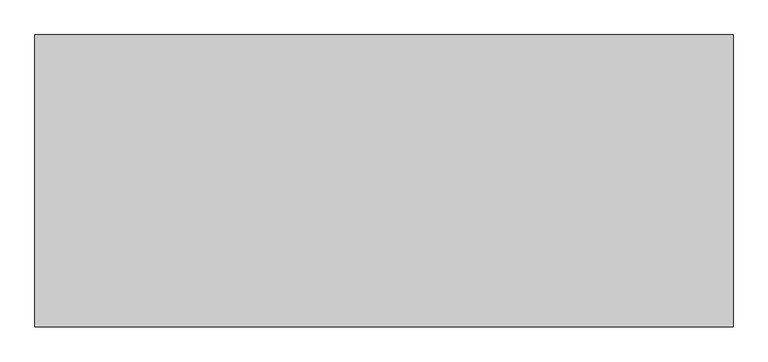
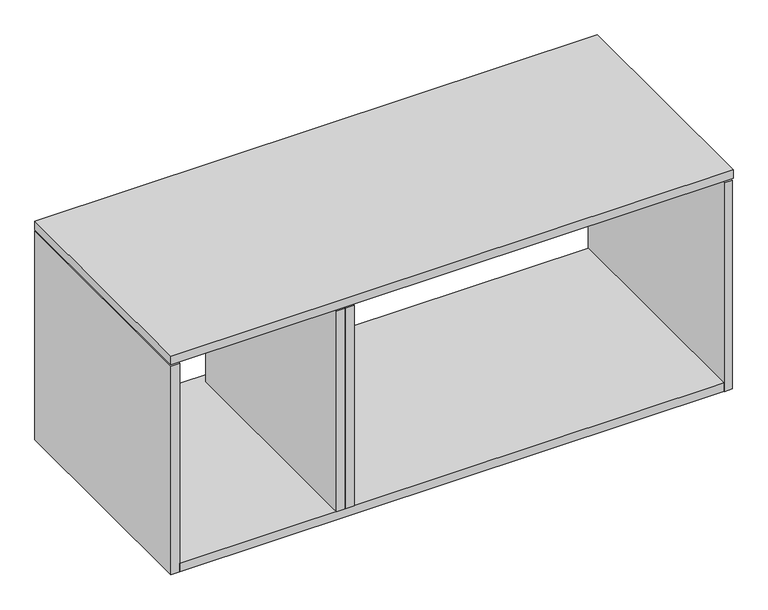
"""IFC4 building model written with IfcOpenShell, lengths in millimetres: furniture geometry."""

from ifc_helpers import new_model, si_unit, frame, origin, place, context, project, spatial, polyline, outline, extrude, source, transform, mapped, element, save


def furniture_db4ddc0c(model_context):
    return source(origin(), model_context, "Body", "SweptSolid", [
        extrude(outline(polyline([(395.230947, -253.9999939), (375.9169395, -253.9999939), (375.9169395, 233.9399902), (395.230947, 233.9399902), (395.230947, -253.9999939)])), frame((0.0, 0.0, 79.5790089), z_axis=(0.0, 0.0, 1.0), x_axis=(1.0, 0.0, 0.0)), (0.0, 0.0, 1.0), 456.7450132),
        extrude(outline(polyline([(375.9169395, -253.9999939), (356.6129869, -253.9999939), (356.6129869, 233.9399902), (375.9169395, 233.9399902), (375.9169395, -253.9999939)])), frame((0.0, 0.0, 79.5790089), z_axis=(0.0, 0.0, 1.0), x_axis=(1.0, 0.0, 0.0)), (0.0, 0.0, 1.0), 456.7450132),
        extrude(outline(polyline([(0.0, -253.9999939), (0.0, 253.9999939), (1212.8512499, 253.9999939), (1212.8512499, -253.9999939), (0.0, -253.9999939)])), frame((0.0, 0.0, 539.49901), z_axis=(0.0, 0.0, 1.0), x_axis=(1.0, 0.0, 0.0)), (0.0, 0.0, 1.0), 19.2999847),
        extrude(outline(polyline([(19.3003985, -253.6189852), (19.3003985, 253.6190034), (1193.5508514, 253.6190034), (1193.5508514, -253.6189852), (19.3003985, -253.6189852)])), frame((0.0, 0.0, 60.198), z_axis=(0.0, 0.0, 1.0), x_axis=(1.0, 0.0, 0.0)), (0.0, 0.0, 1.0), 19.3810089),
        extrude(outline(polyline([(19.3003985, -253.9999939), (0.0, -253.9999939), (0.0, 253.9999939), (19.3003985, 253.9999939), (19.3003985, -253.9999939)])), frame((0.0, 0.0, 60.198), z_axis=(0.0, 0.0, 1.0), x_axis=(1.0, 0.0, 0.0)), (0.0, 0.0, 1.0), 476.1260221),
        extrude(outline(polyline([(1193.5508514, -253.9999939), (1193.5508514, 253.9999939), (1211.2737498, 253.9999939), (1211.2737498, -253.9999939), (1193.5508514, -253.9999939)])), frame((0.0, 0.0, 60.198), z_axis=(0.0, 0.0, 1.0), x_axis=(1.0, 0.0, 0.0)), (0.0, 0.0, 1.0), 476.1260221),
    ])


if __name__ == "__main__":
    model = new_model("IFC4")
    model_context = context("Model", 3, world=origin())
    ifc_project = project(units=[si_unit("LENGTHUNIT", "METRE", prefix="MILLI")], contexts=[model_context])
    site = spatial("IfcSite", under=ifc_project)
    building = spatial("IfcBuilding", under=site)
    placement = place(None, origin())
    furniture_shape = furniture_db4ddc0c(model_context)
    element("IfcFurniture", 1, at=placement, inside=building, context=model_context, shape_type="MappedRepresentation", body=[
        mapped(furniture_shape, transform((0.0, 0.0, 0.0), x_axis=(1.0, 0.0, 0.0), y_axis=(0.0, 1.0, 0.0), z_axis=(0.0, 0.0, 1.0))),
    ])
    save(model, "model.ifc")
